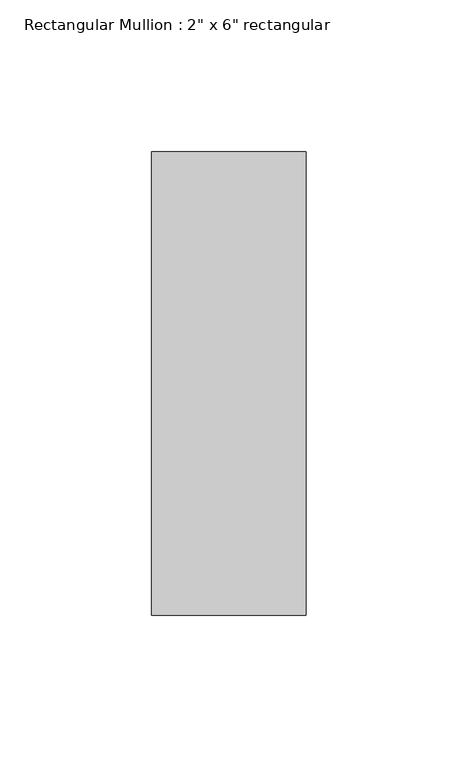
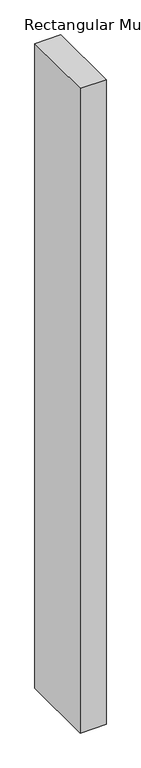
"""IFC4 building model written with IfcOpenShell, lengths in millimetres: member geometry."""

from ifc_helpers import new_model, si_unit, frame, origin, place, context, project, spatial, polyline, outline, extrude, source, transform, mapped, element, save


def member_87bae0aa(model_context):
    return source(origin(), model_context, "Body", "SweptSolid", [
        extrude(outline(polyline([(0.0, 76.2), (0.0, -76.2), (-50.8, -76.2), (-50.8, 76.2), (0.0, 76.2)])), frame((0.0, 0.0, -1329.2666667), z_axis=(0.0, 0.0, 1.0), x_axis=(1.0, 0.0, 0.0)), (0.0, 0.0, 1.0), 1329.2666667),
    ])


if __name__ == "__main__":
    model = new_model("IFC4")
    model_context = context("Model", 3, world=origin())
    ifc_project = project(units=[si_unit("LENGTHUNIT", "METRE", prefix="MILLI")], contexts=[model_context])
    site = spatial("IfcSite", under=ifc_project)
    building = spatial("IfcBuilding", under=site)
    placement = place(None, origin())
    member_shape = member_87bae0aa(model_context)
    element("IfcMember", 1, ObjectType="Rectangular Mullion : 2\" x 6\" rectangular", at=placement, inside=building, context=model_context, shape_type="MappedRepresentation", body=[
        mapped(member_shape, transform((0.0, 0.0, 0.0), x_axis=(1.0, 0.0, 0.0), y_axis=(0.0, 1.0, 0.0), z_axis=(0.0, 0.0, 1.0))),
    ])
    save(model, "model.ifc")
